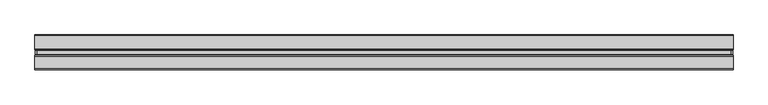
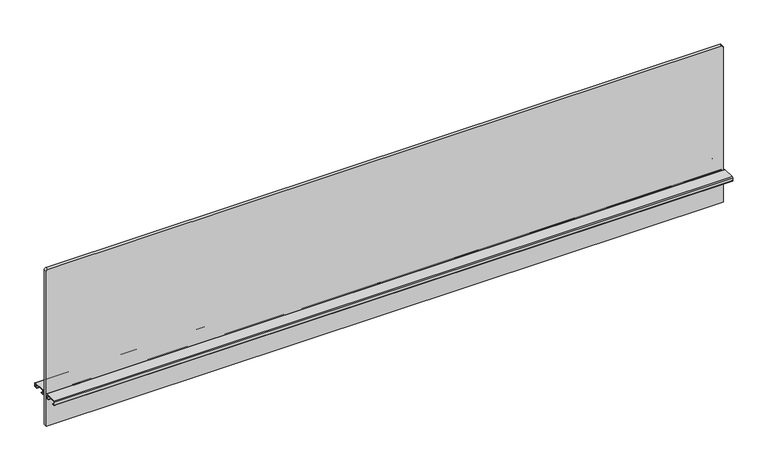
"""IFC4 building model written with IfcOpenShell, lengths in millimetres: furniture geometry."""

from ifc_helpers import new_model, si_unit, point, frame, frame_2d, origin, place, context, project, spatial, polyline, circle_curve, trimmed, segment, composite_curve, outline, extrude, source, transform, mapped, element, save


def furniture_874a9944(model_context):
    return source(origin(), model_context, "Body", "SweptSolid", [
        extrude(outline(composite_curve([segment(polyline([(1061.313613, 756.92), (1061.313613, -756.92)]), True, "CONTINUOUS"), segment(trimmed(circle_curve(frame_2d((1057.503613, -756.92)), 3.81), [point((1061.313613, -756.92))], [point((1057.503613, -760.73))], False, "CARTESIAN"), True, "CONTINUOUS"), segment(polyline([(1057.503613, -760.73), (689.965613, -760.73), (689.965613, 760.73), (1057.503613, 760.73)]), True, "CONTINUOUS"), segment(trimmed(circle_curve(frame_2d((1057.503613, 756.92)), 3.81), [point((1057.503613, 760.73))], [point((1061.313613, 756.92))], False, "CARTESIAN"), True, "CONTINUOUS")], self_intersect=False)), frame((0.0, -3.683001, 0.0), z_axis=(0.0, 1.0, 0.0), x_axis=(0.0, 0.0, 1.0)), (0.0, 0.0, 1.0), 7.3660021),
        extrude(outline(composite_curve([segment(polyline([(8.1724496, 769.2644064), (36.0679996, 769.2644064)]), True, "CONTINUOUS"), segment(trimmed(circle_curve(frame_2d((36.0679996, 767.2324064)), 2.032), [point((36.0679996, 769.2644064))], [point((38.0999996, 767.2324064))], False, "CARTESIAN"), True, "CONTINUOUS"), segment(polyline([(38.0999996, 767.2324064), (38.0999996, 761.1364161)]), True, "CONTINUOUS"), segment(trimmed(circle_curve(frame_2d((36.0679996, 761.1364161)), 2.032), [point((38.0999996, 761.1364161))], [point((36.0679996, 759.1044161))], False, "CARTESIAN"), True, "CONTINUOUS"), segment(polyline([(36.0679996, 759.1044161), (30.7784504, 759.1044161), (30.7784504, 760.0187498), (36.1695996, 760.0187498)]), True, "CONTINUOUS"), segment(trimmed(circle_curve(frame_2d((36.1695996, 761.0347498)), 1.016), [point((36.1695996, 760.0187498))], [point((37.1855996, 761.0347498))], True, "CARTESIAN"), True, "CONTINUOUS"), segment(polyline([(37.1855996, 761.0347498), (37.1855996, 767.334)]), True, "CONTINUOUS"), segment(trimmed(circle_curve(frame_2d((36.1695996, 767.334)), 1.016), [point((37.1855996, 767.334))], [point((36.1695996, 768.35))], True, "CARTESIAN"), True, "CONTINUOUS"), segment(polyline([(36.1695996, 768.35), (8.0708496, 768.35)]), True, "CONTINUOUS"), segment(trimmed(circle_curve(frame_2d((8.0708496, 767.334)), 1.016), [point((8.0708496, 768.35))], [point((7.0548496, 767.334))], True, "CARTESIAN"), True, "CONTINUOUS"), segment(polyline([(7.0548496, 767.334), (7.0548496, 761.0347498)]), True, "CONTINUOUS"), segment(trimmed(circle_curve(frame_2d((8.0708496, 761.0347498)), 1.016), [point((7.0548496, 761.0347498))], [point((8.0708496, 760.0187498))], True, "CARTESIAN"), True, "CONTINUOUS"), segment(polyline([(8.0708496, 760.0187498), (13.4619988, 760.0187498), (13.4619988, 759.1044161), (8.1724496, 759.1044161)]), True, "CONTINUOUS"), segment(trimmed(circle_curve(frame_2d((8.1724496, 761.1364161)), 2.032), [point((8.1724496, 759.1044161))], [point((6.1404496, 761.1364161))], False, "CARTESIAN"), True, "CONTINUOUS"), segment(polyline([(6.1404496, 761.1364161), (6.1404496, 767.2324064)]), True, "CONTINUOUS"), segment(trimmed(circle_curve(frame_2d((8.1724496, 767.2324064)), 2.032), [point((6.1404496, 767.2324064))], [point((8.1724496, 769.2644064))], False, "CARTESIAN"), True, "CONTINUOUS")], self_intersect=False)), frame((-762.0, 0.0, 0.0), z_axis=(1.0, 0.0, 0.0), x_axis=(0.0, 1.0, 0.0)), (0.0, 0.0, 1.0), 1524.0),
        extrude(outline(composite_curve([segment(trimmed(circle_curve(frame_2d((-8.1724496, 767.2324064)), 2.032), [point((-8.1724496, 769.2644064))], [point((-6.1404496, 767.2324064))], False, "CARTESIAN"), True, "CONTINUOUS"), segment(polyline([(-6.1404496, 767.2324064), (-6.1404496, 761.1364161)]), True, "CONTINUOUS"), segment(trimmed(circle_curve(frame_2d((-8.1724496, 761.1364161)), 2.032), [point((-6.1404496, 761.1364161))], [point((-8.1724496, 759.1044161))], False, "CARTESIAN"), True, "CONTINUOUS"), segment(polyline([(-8.1724496, 759.1044161), (-13.4619988, 759.1044161), (-13.4619988, 760.0187498), (-8.0708496, 760.0187498)]), True, "CONTINUOUS"), segment(trimmed(circle_curve(frame_2d((-8.0708496, 761.0347498)), 1.016), [point((-8.0708496, 760.0187498))], [point((-7.0548496, 761.0347498))], True, "CARTESIAN"), True, "CONTINUOUS"), segment(polyline([(-7.0548496, 761.0347498), (-7.0548496, 767.334)]), True, "CONTINUOUS"), segment(trimmed(circle_curve(frame_2d((-8.0708496, 767.334)), 1.016), [point((-7.0548496, 767.334))], [point((-8.0708496, 768.35))], True, "CARTESIAN"), True, "CONTINUOUS"), segment(polyline([(-8.0708496, 768.35), (-36.1695996, 768.35)]), True, "CONTINUOUS"), segment(trimmed(circle_curve(frame_2d((-36.1695996, 767.334)), 1.016), [point((-36.1695996, 768.35))], [point((-37.1855996, 767.334))], True, "CARTESIAN"), True, "CONTINUOUS"), segment(polyline([(-37.1855996, 767.334), (-37.1855996, 761.0347498)]), True, "CONTINUOUS"), segment(trimmed(circle_curve(frame_2d((-36.1695996, 761.0347498)), 1.016), [point((-37.1855996, 761.0347498))], [point((-36.1695996, 760.0187498))], True, "CARTESIAN"), True, "CONTINUOUS"), segment(polyline([(-36.1695996, 760.0187498), (-30.7784504, 760.0187498), (-30.7784504, 759.1044161), (-36.0679996, 759.1044161)]), True, "CONTINUOUS"), segment(trimmed(circle_curve(frame_2d((-36.0679996, 761.1364161)), 2.032), [point((-36.0679996, 759.1044161))], [point((-38.0999996, 761.1364161))], False, "CARTESIAN"), True, "CONTINUOUS"), segment(polyline([(-38.0999996, 761.1364161), (-38.0999996, 767.2324064)]), True, "CONTINUOUS"), segment(trimmed(circle_curve(frame_2d((-36.0679996, 767.2324064)), 2.032), [point((-38.0999996, 767.2324064))], [point((-36.0679996, 769.2644064))], False, "CARTESIAN"), True, "CONTINUOUS"), segment(polyline([(-36.0679996, 769.2644064), (-8.1724496, 769.2644064)]), True, "CONTINUOUS")], self_intersect=False)), frame((-762.0, 0.0, 0.0), z_axis=(1.0, 0.0, 0.0), x_axis=(0.0, 1.0, 0.0)), (0.0, 0.0, 1.0), 1524.0),
    ])


if __name__ == "__main__":
    model = new_model("IFC4")
    model_context = context("Model", 3, world=origin())
    ifc_project = project(units=[si_unit("LENGTHUNIT", "METRE", prefix="MILLI")], contexts=[model_context])
    site = spatial("IfcSite", under=ifc_project)
    building = spatial("IfcBuilding", under=site)
    placement = place(None, origin())
    furniture_shape = furniture_874a9944(model_context)
    element("IfcFurniture", 1, at=placement, inside=building, context=model_context, shape_type="MappedRepresentation", body=[
        mapped(furniture_shape, transform((0.0, 0.0, 0.0), x_axis=(1.0, 0.0, 0.0), y_axis=(0.0, 1.0, 0.0), z_axis=(0.0, 0.0, 1.0))),
    ])
    save(model, "model.ifc")
